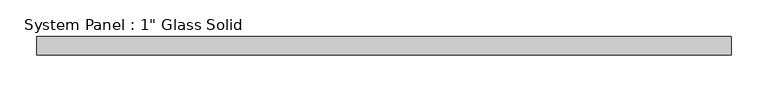
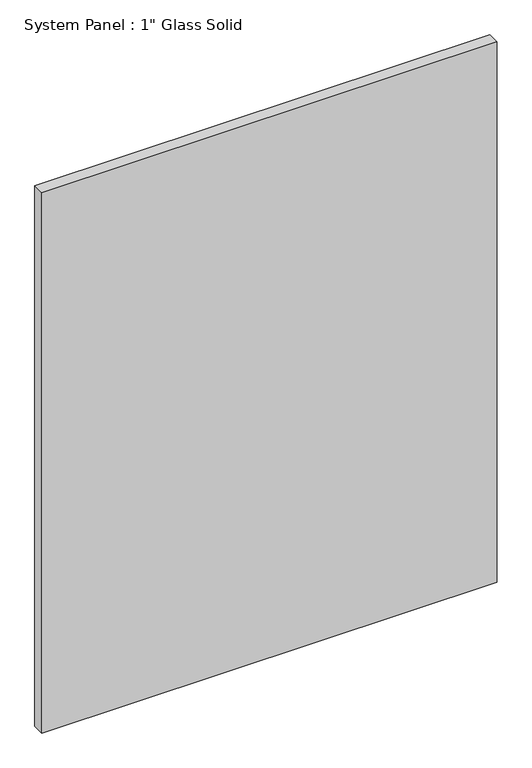
"""IFC4 building model written with IfcOpenShell, lengths in millimetres: plate geometry."""

from ifc_helpers import new_model, si_unit, origin, origin_with_axes, place, context, project, spatial, polyline, outline, extrude, source, transform, mapped, element, save


def plate_866572ea(model_context):
    return source(origin(), model_context, "Body", "SweptSolid", [
        extrude(outline(polyline([(473.0767704, -12.7), (-473.0767704, -12.7), (-473.0767704, 12.7), (473.0767704, 12.7), (473.0767704, -12.7)])), origin_with_axes(), (0.0, 0.0, 1.0), 1187.4517704),
    ])


if __name__ == "__main__":
    model = new_model("IFC4")
    model_context = context("Model", 3, world=origin())
    ifc_project = project(units=[si_unit("LENGTHUNIT", "METRE", prefix="MILLI")], contexts=[model_context])
    site = spatial("IfcSite", under=ifc_project)
    building = spatial("IfcBuilding", under=site)
    placement = place(None, origin())
    plate_shape = plate_866572ea(model_context)
    element("IfcPlate", 1, ObjectType="System Panel : 1\" Glass Solid", at=placement, inside=building, context=model_context, shape_type="MappedRepresentation", body=[
        mapped(plate_shape, transform((0.0, 0.0, 0.0), x_axis=(1.0, 0.0, 0.0), y_axis=(0.0, 1.0, 0.0), z_axis=(0.0, 0.0, 1.0))),
    ])
    save(model, "model.ifc")
